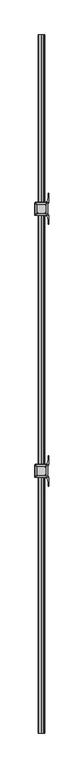
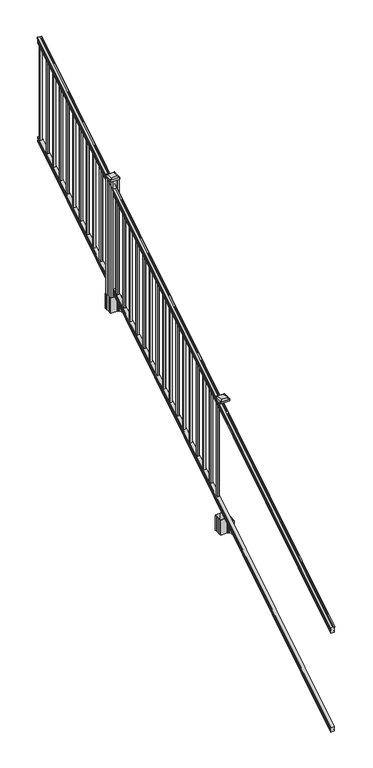
"""IFC4 building model written with IfcOpenShell, lengths in millimetres: railing geometry."""

from ifc_helpers import new_model, si_unit, point, frame, frame_2d, origin, place, context, project, spatial, polyline, circle_curve, ellipse_curve, trimmed, segment, composite_curve, outline, extrude, faceted_brep, source, transform, mapped, element, save
from ifc_brep_helpers import plane_surface, cylinder_surface, revolved_surface, extruded_surface, advanced_brep


def railing_1ef77028(model_context):
    return source(origin(), model_context, "Body", "SolidModel", [
        advanced_brep(
        [(12950.4754996, -7669.8194681, 1285.6070492), (12953.0493284, -7669.8194681, 1285.6070492), (12953.0493284, -7669.8194681, 1273.0394336), (12952.0333284, -7669.8194681, 1271.841318), (12952.0333284, -7669.8194681, 1257.3), (12983.7833284, -7669.8194681, 1257.3), (12983.7833284, -7669.8194681, 1272.0274214), (12982.7673284, -7669.8194681, 1273.225537), (12982.7673284, -7669.8194681, 1285.6070492), (12985.3411571, -7669.8194681, 1285.6070492), (12985.3411571, -7669.8194681, 1287.8335658), (12986.4713434, -7669.8194681, 1289.6758543), (12986.4713434, -7669.8194681, 1298.1876358), (12985.822087, -7669.8194681, 1301.0572588), (12988.322087, -7669.8194681, 1306.1635509), (12989.7314295, -7669.8194681, 1308.1442021), (12990.1333285, -7669.8194681, 1309.4469579), (12990.1333284, -7669.8194681, 1311.0274846), (12988.5798811, -7669.8194681, 1312.8593836), (12967.9083284, -7669.8194681, 1312.8593836), (12947.2367756, -7669.8194681, 1312.8593836), (12945.6833284, -7669.8194681, 1311.0274846), (12945.6833284, -7669.8194681, 1309.4469579), (12946.0852273, -7669.8194681, 1308.1442021), (12947.4945697, -7669.8194681, 1306.1635509), (12949.9945697, -7669.8194681, 1301.0572588), (12949.3453133, -7669.8194681, 1298.1876358), (12949.3453133, -7669.8194681, 1289.6758543), (12950.4754996, -7669.8194681, 1287.8335658), (12950.4754996, -2793.0194681, 4333.6070492), (12950.4754996, -2793.0194681, 4335.8335658), (12949.3453133, -2793.0194681, 4337.6758543), (12949.3453133, -2793.0194681, 4346.1876358), (12949.9945697, -2793.0194681, 4349.0572588), (12947.4945697, -2793.0194681, 4354.1635509), (12946.0852273, -2793.0194681, 4356.1442021), (12945.6833283, -2793.0194681, 4357.4469579), (12945.6833284, -2793.0194681, 4359.0274846), (12947.2367756, -2793.0194681, 4360.8593836), (12967.9083284, -2793.0194681, 4360.8593836), (12988.5798811, -2793.0194681, 4360.8593836), (12990.1333284, -2793.0194681, 4359.0274846), (12990.1333284, -2793.0194681, 4357.4469579), (12989.7314295, -2793.0194681, 4356.1442021), (12988.322087, -2793.0194681, 4354.1635509), (12985.822087, -2793.0194681, 4349.0572588), (12986.4713434, -2793.0194681, 4346.1876358), (12986.4713434, -2793.0194681, 4337.6758543), (12985.3411571, -2793.0194681, 4335.8335658), (12985.3411571, -2793.0194681, 4333.6070492), (12982.7673284, -2793.0194681, 4333.6070492), (12982.7673284, -2793.0194681, 4321.225537), (12983.7833284, -2793.0194681, 4320.0274214), (12983.7833284, -2793.0194681, 4305.3), (12952.0333284, -2793.0194681, 4305.3), (12952.0333284, -2793.0194681, 4319.841318), (12953.0493284, -2793.0194681, 4321.0394336), (12953.0493284, -2793.0194681, 4333.6070492)],
        [
            (0, 1, ellipse_curve(frame((12951.762414, -7669.8194681, 1285.6070492), z_axis=(0.0, -1.0, 0.0), x_axis=(0.0, 0.0, -1.0)), 1.5175907, 1.2869144)),
            (1, 2),
            (2, 3),
            (3, 4),
            (4, 5),
            (5, 6),
            (6, 7),
            (7, 8),
            (8, 9, ellipse_curve(frame((12984.0542427, -7669.8194681, 1285.6070492), z_axis=(0.0, -1.0, 0.0), x_axis=(0.0, 0.0, -1.0)), 1.5175907, 1.2869144)),
            (9, 10),
            (10, 11, ellipse_curve(frame((12979.0264038, -7669.8194681, 1294.6239405), z_axis=(0.0, -1.0, 0.0), x_axis=(0.0, 0.0, -1.0)), 10.0777926, 8.545951)),
            (11, 12, ellipse_curve(frame((12979.4634668, -7669.8194681, 1293.9317451), z_axis=(0.0, -1.0, 0.0), x_axis=(0.0, 0.0, -1.0)), 9.2955186, 7.882584)),
            (12, 13, ellipse_curve(frame((12989.9767909, -7669.8194681, 1300.8275077), z_axis=(0.0, 1.0, 0.0), x_axis=(0.0, 0.0, 1.0)), 4.9048088, 4.1592695)),
            (13, 14, ellipse_curve(frame((12991.2640975, -7669.8194681, 1300.7563208), z_axis=(0.0, 1.0, 0.0), x_axis=(0.0, 0.0, 1.0)), 6.4245301, 5.4479907)),
            (14, 15, ellipse_curve(frame((12990.030939, -7669.8194681, 1306.1602333), z_axis=(0.0, 1.0, 0.0), x_axis=(0.0, 0.0, 1.0)), 2.0151625, 1.7088543)),
            (15, 16, ellipse_curve(frame((12988.4140389, -7669.8194681, 1309.4469579), z_axis=(0.0, -1.0, 0.0), x_axis=(0.0, 0.0, -1.0)), 2.0274681, 1.7192895)),
            (16, 17),
            (17, 18, ellipse_curve(frame((12988.5798811, -7669.8194681, 1311.0274846), z_axis=(0.0, -1.0, 0.0), x_axis=(0.0, 0.0, -1.0)), 1.831899, 1.5534472)),
            (18, 19),
            (19, 20),
            (20, 21, ellipse_curve(frame((12947.2367756, -7669.8194681, 1311.0274846), z_axis=(0.0, -1.0, 0.0), x_axis=(0.0, 0.0, -1.0)), 1.831899, 1.5534472)),
            (21, 22),
            (22, 23, ellipse_curve(frame((12947.4026178, -7669.8194681, 1309.4469579), z_axis=(0.0, -1.0, 0.0), x_axis=(0.0, 0.0, -1.0)), 2.0274681, 1.7192895)),
            (23, 24, ellipse_curve(frame((12945.7857177, -7669.8194681, 1306.1602333), z_axis=(0.0, 1.0, 0.0), x_axis=(0.0, 0.0, 1.0)), 2.0151625, 1.7088543)),
            (24, 25, ellipse_curve(frame((12944.5525593, -7669.8194681, 1300.7563208), z_axis=(0.0, 1.0, 0.0), x_axis=(0.0, 0.0, 1.0)), 6.4245301, 5.4479907)),
            (25, 26, ellipse_curve(frame((12945.8398658, -7669.8194681, 1300.8275077), z_axis=(0.0, 1.0, 0.0), x_axis=(0.0, 0.0, 1.0)), 4.9048088, 4.1592695)),
            (26, 27, ellipse_curve(frame((12956.35319, -7669.8194681, 1293.9317451), z_axis=(0.0, -1.0, 0.0), x_axis=(0.0, 0.0, -1.0)), 9.2955186, 7.882584)),
            (27, 28, ellipse_curve(frame((12956.7902529, -7669.8194681, 1294.6239405), z_axis=(0.0, -1.0, 0.0), x_axis=(0.0, 0.0, -1.0)), 10.0777926, 8.545951)),
            (28, 0),
            (29, 30),
            (30, 31, ellipse_curve(frame((12956.7902529, -2793.0194681, 4342.6239405), z_axis=(0.0, 1.0, 0.0), x_axis=(0.0, 0.0, -1.0)), 10.0777926, 8.545951)),
            (31, 32, ellipse_curve(frame((12956.35319, -2793.0194681, 4341.9317451), z_axis=(0.0, 1.0, 0.0), x_axis=(0.0, 0.0, -1.0)), 9.2955186, 7.882584)),
            (32, 33, ellipse_curve(frame((12945.8398658, -2793.0194681, 4348.8275077), z_axis=(0.0, -1.0, 0.0), x_axis=(0.0, 0.0, 1.0)), 4.9048088, 4.1592695)),
            (33, 34, ellipse_curve(frame((12944.5525593, -2793.0194681, 4348.7563208), z_axis=(0.0, -1.0, 0.0), x_axis=(0.0, 0.0, 1.0)), 6.4245301, 5.4479907)),
            (34, 35, ellipse_curve(frame((12945.7857177, -2793.0194681, 4354.1602333), z_axis=(0.0, -1.0, 0.0), x_axis=(0.0, 0.0, 1.0)), 2.0151625, 1.7088543)),
            (35, 36, ellipse_curve(frame((12947.4026178, -2793.0194681, 4357.4469579), z_axis=(0.0, 1.0, 0.0), x_axis=(0.0, 0.0, -1.0)), 2.0274681, 1.7192895)),
            (36, 37),
            (37, 38, ellipse_curve(frame((12947.2367756, -2793.0194681, 4359.0274846), z_axis=(0.0, 1.0, 0.0), x_axis=(0.0, 0.0, -1.0)), 1.831899, 1.5534472)),
            (38, 39),
            (39, 40),
            (40, 41, ellipse_curve(frame((12988.5798811, -2793.0194681, 4359.0274846), z_axis=(0.0, 1.0, 0.0), x_axis=(0.0, 0.0, -1.0)), 1.831899, 1.5534472)),
            (41, 42),
            (42, 43, ellipse_curve(frame((12988.4140389, -2793.0194681, 4357.4469579), z_axis=(0.0, 1.0, 0.0), x_axis=(0.0, 0.0, -1.0)), 2.0274681, 1.7192895)),
            (43, 44, ellipse_curve(frame((12990.030939, -2793.0194681, 4354.1602333), z_axis=(0.0, -1.0, 0.0), x_axis=(0.0, 0.0, 1.0)), 2.0151625, 1.7088543)),
            (44, 45, ellipse_curve(frame((12991.2640975, -2793.0194681, 4348.7563208), z_axis=(0.0, -1.0, 0.0), x_axis=(0.0, 0.0, 1.0)), 6.4245301, 5.4479907)),
            (45, 46, ellipse_curve(frame((12989.9767909, -2793.0194681, 4348.8275077), z_axis=(0.0, -1.0, 0.0), x_axis=(0.0, 0.0, 1.0)), 4.9048088, 4.1592695)),
            (46, 47, ellipse_curve(frame((12979.4634668, -2793.0194681, 4341.9317451), z_axis=(0.0, 1.0, 0.0), x_axis=(0.0, 0.0, -1.0)), 9.2955186, 7.882584)),
            (47, 48, ellipse_curve(frame((12979.0264038, -2793.0194681, 4342.6239405), z_axis=(0.0, 1.0, 0.0), x_axis=(0.0, 0.0, -1.0)), 10.0777926, 8.545951)),
            (48, 49),
            (49, 50, ellipse_curve(frame((12984.0542427, -2793.0194681, 4333.6070492), z_axis=(0.0, 1.0, 0.0), x_axis=(0.0, 0.0, -1.0)), 1.5175907, 1.2869144)),
            (50, 51),
            (51, 52),
            (52, 53),
            (53, 54),
            (54, 55),
            (55, 56),
            (56, 57),
            (57, 29, ellipse_curve(frame((12951.762414, -2793.0194681, 4333.6070492), z_axis=(0.0, 1.0, 0.0), x_axis=(0.0, 0.0, -1.0)), 1.5175907, 1.2869144)),
            (28, 30),
            (29, 0),
            (27, 31),
            (26, 32),
            (25, 33),
            (24, 34),
            (23, 35),
            (22, 36),
            (21, 37),
            (20, 38),
            (19, 39),
            (18, 40),
            (17, 41),
            (16, 42),
            (15, 43),
            (14, 44),
            (13, 45),
            (12, 46),
            (11, 47),
            (10, 48),
            (9, 49),
            (8, 50),
            (7, 51),
            (6, 52),
            (5, 53),
            (4, 54),
            (3, 55),
            (2, 56),
            (1, 57),
        ],
        [
            plane_surface(frame((12967.9083284, -7669.8194681, 1257.3), z_axis=(0.0, -1.0, 0.0), x_axis=(0.0, 0.0, 1.0))),
            plane_surface(frame((12967.9083284, -2793.0194681, 4305.3), z_axis=(0.0, 1.0, 0.0), x_axis=(0.0, 0.0, 1.0))),
            plane_surface(frame((12950.4754996, -7669.8194681, 1287.8335658), z_axis=(-1.0, 0.0, 0.0), x_axis=(0.0, 0.8479983040051253, 0.5299989400031203))),
            cylinder_surface(frame((12956.7902529, -7686.5942728, 1284.1396876), z_axis=(0.0, -0.8479983040051253, -0.5299989400031204), x_axis=(1.0, 0.0, 0.0)), 8.545951),
            cylinder_surface(frame((12956.35319, -7686.2831737, 1283.641929), z_axis=(0.0, -0.8479983040051253, -0.5299989400031204), x_axis=(1.0, 0.0, 0.0)), 7.882584),
            revolved_surface(polyline([(12949.9991353, -2790.8150596503465, 4350.205262980555), (12949.9991353, -7672.023876549438, 1299.4497524191)]), (12945.8398658, -7689.3823929, 1288.6006797), (0.0, 0.8479983040051253, 0.5299989400031204)),
            revolved_surface(polyline([(12950.00055, -2790.132038835738, 4350.5609640771845), (12950.00055, -7672.7068973528085, 1298.9516775044933)]), (12944.5525593, -7689.3503988, 1288.5494891), (0.0, 0.8479983040051253, 0.5299989400031204)),
            revolved_surface(polyline([(12947.494572000001, -2792.113777099784, 4354.726290199656), (12947.494572000001, -7670.725159122471, 1305.5941764359536)]), (12945.7857177, -7691.7791235, 1292.4354487), (0.0, 0.8479983040051253, 0.5299989400031204)),
            cylinder_surface(frame((12947.4026178, -7693.2563031, 1294.798936), z_axis=(0.0, -0.8479983040051253, -0.5299989400031204), x_axis=(1.0, 0.0, 0.0)), 1.7192895),
            plane_surface(frame((12945.6833284, -7669.8194681, 1311.0274846), z_axis=(-1.0000000000000002, 0.0, 0.0), x_axis=(0.0, 0.8479983040051253, 0.5299989400031204))),
            cylinder_surface(frame((12947.2367756, -7693.9666522, 1295.9354945), z_axis=(0.0, -0.8479983040051253, -0.5299989400031204), x_axis=(1.0, 0.0, 0.0)), 1.5534472),
            plane_surface(frame((12967.9083284, -7669.8194681, 1312.8593836), z_axis=(0.0, -0.5299989400031204, 0.8479983040051253), x_axis=(0.0, 0.8479983040051253, 0.5299989400031204))),
            plane_surface(frame((12988.5798811, -7669.8194681, 1312.8593836), z_axis=(0.0, -0.5299989400031204, 0.8479983040051253), x_axis=(0.0, 0.8479983040051253, 0.5299989400031204))),
            cylinder_surface(frame((12988.5798811, -7693.9666522, 1295.9354945), z_axis=(0.0, -0.8479983040051253, -0.5299989400031204), x_axis=(-1.0, 0.0, 0.0)), 1.5534472),
            plane_surface(frame((12990.1333284, -7669.8194681, 1309.4469579), z_axis=(1.0000000000000002, 0.0, 0.0), x_axis=(0.0, 0.8479983040051253, 0.5299989400031204))),
            cylinder_surface(frame((12988.4140389, -7693.2563031, 1294.798936), z_axis=(0.0, -0.8479983040051253, -0.5299989400031204), x_axis=(-1.0, 0.0, 0.0)), 1.7192895),
            revolved_surface(polyline([(12988.3220847, -2792.113777099784, 4354.726290199656), (12988.3220847, -7670.725159122471, 1305.5941764359536)]), (12990.030939, -7691.7791235, 1292.4354487), (0.0, 0.8479983040051253, 0.5299989400031204)),
            revolved_surface(polyline([(12985.816106799999, -2790.132038835738, 4350.5609640771845), (12985.816106799999, -7672.7068973528085, 1298.9516775044933)]), (12991.2640975, -7689.3503988, 1288.5494891), (0.0, 0.8479983040051253, 0.5299989400031204)),
            revolved_surface(polyline([(12985.8175214, -2790.8150596503465, 4350.205262980555), (12985.8175214, -7672.023876549438, 1299.4497524191)]), (12989.9767909, -7689.3823929, 1288.6006797), (0.0, 0.8479983040051253, 0.5299989400031204)),
            cylinder_surface(frame((12979.4634668, -7686.2831737, 1283.641929), z_axis=(0.0, -0.8479983040051253, -0.5299989400031204), x_axis=(-1.0, 0.0, 0.0)), 7.882584),
            cylinder_surface(frame((12979.0264038, -7686.5942728, 1284.1396876), z_axis=(0.0, -0.8479983040051253, -0.5299989400031204), x_axis=(-1.0, 0.0, 0.0)), 8.545951),
            plane_surface(frame((12985.3411571, -7669.8194681, 1285.6070492), z_axis=(1.0000000000000002, 0.0, 0.0), x_axis=(0.0, 0.8479983040051253, 0.5299989400031204))),
            cylinder_surface(frame((12984.0542427, -7682.5417374, 1277.6556309), z_axis=(0.0, -0.8479983040051253, -0.5299989400031204), x_axis=(-1.0, 0.0, 0.0)), 1.2869144),
            plane_surface(frame((12982.7673284, -7669.8194681, 1273.225537), z_axis=(1.0, 0.0, 0.0), x_axis=(0.0, 0.8479983040051253, 0.5299989400031203))),
            plane_surface(frame((12983.7833284, -7669.8194681, 1272.0274214), z_axis=(0.7071067811865425, -0.37476584449789213, 0.5996253511967193), x_axis=(0.0, 0.8479983040051253, 0.5299989400031203))),
            plane_surface(frame((12983.7833284, -7669.8194681, 1257.3), z_axis=(1.0000000000000002, 0.0, 0.0), x_axis=(0.0, 0.8479983040051253, 0.5299989400031204))),
            plane_surface(frame((12952.0333284, -7669.8194681, 1257.3), z_axis=(0.0, 0.5299989400031204, -0.8479983040051253), x_axis=(0.0, 0.8479983040051253, 0.5299989400031204))),
            plane_surface(frame((12952.0333284, -7669.8194681, 1271.841318), z_axis=(-1.0000000000000002, 0.0, 0.0), x_axis=(0.0, 0.8479983040051253, 0.5299989400031204))),
            plane_surface(frame((12953.0493284, -7669.8194681, 1273.0394336), z_axis=(-0.7071067811865404, -0.3747658444978917, 0.5996253511967224), x_axis=(0.0, 0.8479983040051253, 0.5299989400031204))),
            plane_surface(frame((12953.0493284, -7669.8194681, 1285.6070492), z_axis=(-1.0, 0.0, 0.0), x_axis=(0.0, 0.8479983040051253, 0.5299989400031203))),
            cylinder_surface(frame((12951.762414, -7682.5417374, 1277.6556309), z_axis=(0.0, -0.8479983040051253, -0.5299989400031204), x_axis=(1.0, 0.0, 0.0)), 1.2869144),
        ],
        [
            (0, [[1, 2, 3, 4, 5, 6, 7, 8, 9, 10, 11, 12, 13, 14, 15, 16, 17, 18, 19, 20, 21, 22, 23, 24, 25, 26, 27, 28, 29]]),
            (1, [[30, 31, 32, 33, 34, 35, 36, 37, 38, 39, 40, 41, 42, 43, 44, 45, 46, 47, 48, 49, 50, 51, 52, 53, 54, 55, 56, 57, 58]]),
            (2, [[-29, 59, -30, 60]]),
            (3, [[-28, 61, -31, -59]]),
            (4, [[-27, 62, -32, -61]]),
            (5, [[-26, 63, -33, -62]]),
            (6, [[-25, 64, -34, -63]]),
            (7, [[-24, 65, -35, -64]]),
            (8, [[-23, 66, -36, -65]]),
            (9, [[-22, 67, -37, -66]]),
            (10, [[-21, 68, -38, -67]]),
            (11, [[-20, 69, -39, -68]]),
            (12, [[-19, 70, -40, -69]]),
            (13, [[-18, 71, -41, -70]]),
            (14, [[-17, 72, -42, -71]]),
            (15, [[-16, 73, -43, -72]]),
            (16, [[-15, 74, -44, -73]]),
            (17, [[-14, 75, -45, -74]]),
            (18, [[-13, 76, -46, -75]]),
            (19, [[-12, 77, -47, -76]]),
            (20, [[-11, 78, -48, -77]]),
            (21, [[-10, 79, -49, -78]]),
            (22, [[-9, 80, -50, -79]]),
            (23, [[-8, 81, -51, -80]]),
            (24, [[-7, 82, -52, -81]]),
            (25, [[-6, 83, -53, -82]]),
            (26, [[-5, 84, -54, -83]]),
            (27, [[-4, 85, -55, -84]]),
            (28, [[-3, 86, -56, -85]]),
            (29, [[-2, 87, -57, -86]]),
            (30, [[-1, -60, -58, -87]]),
        ],
    ),
        faceted_brep([(12951.9958415, -7669.8194681, 268.8045079), (12951.9958415, -7669.8194681, 254.0), (12983.7458415, -7669.8194681, 254.0), (12983.7458415, -7669.8194681, 268.7848772), (12982.7298415, -7669.8194681, 270.3748303), (12982.7298415, -7669.8194681, 282.5348741), (12983.7458415, -7669.8194681, 284.1248272), (12983.7458415, -7669.8194681, 298.9244744), (12951.9958415, -7669.8194681, 298.9244744), (12951.9958415, -7669.8194681, 284.1444579), (12953.0118415, -7669.8194681, 282.5545048), (12953.0118415, -7669.8194681, 270.338026), (12951.9958415, -2793.0194681, 3316.8045079), (12953.0118415, -2793.0194681, 3318.338026), (12953.0118415, -2793.0194681, 3330.5545048), (12951.9958415, -2793.0194681, 3332.1444579), (12951.9958415, -2793.0194681, 3346.9244744), (12983.7458415, -2793.0194681, 3346.9244744), (12983.7458415, -2793.0194681, 3332.1248272), (12982.7298415, -2793.0194681, 3330.5348741), (12982.7298415, -2793.0194681, 3318.3748303), (12983.7458415, -2793.0194681, 3316.7848772), (12983.7458415, -2793.0194681, 3302.0), (12951.9958415, -2793.0194681, 3302.0)], [[[0, 1, 2, 3, 4, 5, 6, 7, 8, 9, 10, 11]], [[12, 13, 14, 15, 16, 17, 18, 19, 20, 21, 22, 23]], [[0, 11, 13, 12]], [[11, 10, 14, 13]], [[10, 9, 15, 14]], [[9, 8, 16, 15]], [[8, 7, 17, 16]], [[7, 6, 18, 17]], [[6, 5, 19, 18]], [[5, 4, 20, 19]], [[4, 3, 21, 20]], [[3, 2, 22, 21]], [[2, 1, 23, 22]], [[1, 0, 12, 23]]]),
        extrude(outline(polyline([(12958.3833284, -2824.1344681), (12958.3833284, -2805.0844681), (12977.4333284, -2805.0844681), (12977.4333284, -2824.1344681), (12958.3833284, -2824.1344681)]), holes=[polyline([(12958.7802034, -2823.7375931), (12977.0364534, -2823.7375931), (12977.0364534, -2805.4813431), (12958.7802034, -2805.4813431), (12958.7802034, -2823.7375931)])]), frame((0.0, 0.0, 3326.6021281), z_axis=(0.0, 0.0, 1.0), x_axis=(1.0, 0.0, 0.0)), (0.0, 0.0, 1.0), 965.2041219),
        extrude(outline(polyline([(12958.3833284, -2935.3864681), (12958.3833284, -2916.3364681), (12977.4333284, -2916.3364681), (12977.4333284, -2935.3864681), (12958.3833284, -2935.3864681)]), holes=[polyline([(12958.7802034, -2934.9895931), (12977.0364534, -2934.9895931), (12977.0364534, -2916.7333431), (12958.7802034, -2916.7333431), (12958.7802034, -2934.9895931)])]), frame((0.0, 0.0, 3257.0696281), z_axis=(0.0, 0.0, 1.0), x_axis=(1.0, 0.0, 0.0)), (0.0, 0.0, 1.0), 965.2041219),
        extrude(outline(polyline([(12958.3833284, -3046.6384681), (12958.3833284, -3027.5884681), (12977.4333284, -3027.5884681), (12977.4333284, -3046.6384681), (12958.3833284, -3046.6384681)]), holes=[polyline([(12958.7802034, -3046.2415931), (12977.0364534, -3046.2415931), (12977.0364534, -3027.9853431), (12958.7802034, -3027.9853431), (12958.7802034, -3046.2415931)])]), frame((0.0, 0.0, 3187.5371281), z_axis=(0.0, 0.0, 1.0), x_axis=(1.0, 0.0, 0.0)), (0.0, 0.0, 1.0), 965.2041219),
        extrude(outline(polyline([(12958.3833284, -3157.8904681), (12958.3833284, -3138.8404681), (12977.4333284, -3138.8404681), (12977.4333284, -3157.8904681), (12958.3833284, -3157.8904681)]), holes=[polyline([(12958.7802034, -3157.4935931), (12977.0364534, -3157.4935931), (12977.0364534, -3139.2373431), (12958.7802034, -3139.2373431), (12958.7802034, -3157.4935931)])]), frame((0.0, 0.0, 3118.0046281), z_axis=(0.0, 0.0, 1.0), x_axis=(1.0, 0.0, 0.0)), (0.0, 0.0, 1.0), 965.2041219),
        extrude(outline(polyline([(12958.3833284, -3269.1424681), (12958.3833284, -3250.0924681), (12977.4333284, -3250.0924681), (12977.4333284, -3269.1424681), (12958.3833284, -3269.1424681)]), holes=[polyline([(12958.7802034, -3268.7455931), (12977.0364534, -3268.7455931), (12977.0364534, -3250.4893431), (12958.7802034, -3250.4893431), (12958.7802034, -3268.7455931)])]), frame((0.0, 0.0, 3048.4721281), z_axis=(0.0, 0.0, 1.0), x_axis=(1.0, 0.0, 0.0)), (0.0, 0.0, 1.0), 965.2041219),
        extrude(outline(polyline([(12958.3833284, -3380.3944681), (12958.3833284, -3361.3444681), (12977.4333284, -3361.3444681), (12977.4333284, -3380.3944681), (12958.3833284, -3380.3944681)]), holes=[polyline([(12958.7802034, -3379.9975931), (12977.0364534, -3379.9975931), (12977.0364534, -3361.7413431), (12958.7802034, -3361.7413431), (12958.7802034, -3379.9975931)])]), frame((0.0, 0.0, 2978.9396281), z_axis=(0.0, 0.0, 1.0), x_axis=(1.0, 0.0, 0.0)), (0.0, 0.0, 1.0), 965.2041219),
        extrude(outline(polyline([(12958.3833284, -3491.6464681), (12958.3833284, -3472.5964681), (12977.4333284, -3472.5964681), (12977.4333284, -3491.6464681), (12958.3833284, -3491.6464681)]), holes=[polyline([(12958.7802034, -3491.2495931), (12977.0364534, -3491.2495931), (12977.0364534, -3472.9933431), (12958.7802034, -3472.9933431), (12958.7802034, -3491.2495931)])]), frame((0.0, 0.0, 2909.4071281), z_axis=(0.0, 0.0, 1.0), x_axis=(1.0, 0.0, 0.0)), (0.0, 0.0, 1.0), 965.2041219),
        extrude(outline(polyline([(12958.3833284, -3602.8984681), (12958.3833284, -3583.8484681), (12977.4333284, -3583.8484681), (12977.4333284, -3602.8984681), (12958.3833284, -3602.8984681)]), holes=[polyline([(12958.7802034, -3602.5015931), (12977.0364534, -3602.5015931), (12977.0364534, -3584.2453431), (12958.7802034, -3584.2453431), (12958.7802034, -3602.5015931)])]), frame((0.0, 0.0, 2839.8746281), z_axis=(0.0, 0.0, 1.0), x_axis=(1.0, 0.0, 0.0)), (0.0, 0.0, 1.0), 965.2041219),
        extrude(outline(polyline([(12958.3833284, -3714.1504681), (12958.3833284, -3695.1004681), (12977.4333284, -3695.1004681), (12977.4333284, -3714.1504681), (12958.3833284, -3714.1504681)]), holes=[polyline([(12958.7802034, -3713.7535931), (12977.0364534, -3713.7535931), (12977.0364534, -3695.4973431), (12958.7802034, -3695.4973431), (12958.7802034, -3713.7535931)])]), frame((0.0, 0.0, 2770.3421281), z_axis=(0.0, 0.0, 1.0), x_axis=(1.0, 0.0, 0.0)), (0.0, 0.0, 1.0), 965.2041219),
        extrude(outline(polyline([(12958.3833284, -3825.4024681), (12958.3833284, -3806.3524681), (12977.4333284, -3806.3524681), (12977.4333284, -3825.4024681), (12958.3833284, -3825.4024681)]), holes=[polyline([(12958.7802034, -3825.0055931), (12977.0364534, -3825.0055931), (12977.0364534, -3806.7493431), (12958.7802034, -3806.7493431), (12958.7802034, -3825.0055931)])]), frame((0.0, 0.0, 2700.8096281), z_axis=(0.0, 0.0, 1.0), x_axis=(1.0, 0.0, 0.0)), (0.0, 0.0, 1.0), 965.2041219),
        extrude(outline(polyline([(12958.3833284, -3936.6544681), (12958.3833284, -3917.6044681), (12977.4333284, -3917.6044681), (12977.4333284, -3936.6544681), (12958.3833284, -3936.6544681)]), holes=[polyline([(12958.7802034, -3936.2575931), (12977.0364534, -3936.2575931), (12977.0364534, -3918.0013431), (12958.7802034, -3918.0013431), (12958.7802034, -3936.2575931)])]), frame((0.0, 0.0, 2631.2771281), z_axis=(0.0, 0.0, 1.0), x_axis=(1.0, 0.0, 0.0)), (0.0, 0.0, 1.0), 965.2041219),
        extrude(outline(composite_curve([segment(polyline([(12925.1728284, -4025.541563), (12925.1728284, -3990.7693732), (12923.5853284, -3990.0073732), (12923.5853284, -3967.2054452), (12926.9583054, -3963.8324681), (12988.4179763, -3963.8324681), (12988.4179763, -3962.9117181), (12993.7355201, -3962.9117181), (12993.7355201, -3961.4574634), (12998.8200498, -3961.4574634), (12998.8200498, -3960.1734396), (13000.4873221, -3960.1734396)]), True, "CONTINUOUS"), segment(trimmed(circle_curve(frame_2d((13000.4873221, -3953.1139797)), 7.0594599), [point((13000.4873221, -3960.1734396))], [point((13007.2545849, -3955.1239864))], True, "CARTESIAN"), True, "CONTINUOUS"), segment(polyline([(13007.2545849, -3955.1239864), (13015.1287792, -3928.6132573)]), True, "CONTINUOUS"), segment(trimmed(circle_curve(frame_2d((12960.3442659, -3912.3412076)), 57.15), [point((13015.1287792, -3928.6132573))], [point((13017.4942659, -3912.3412076))], True, "CARTESIAN"), True, "CONTINUOUS"), segment(polyline([(13017.4942659, -3912.3412076), (13017.4942659, -3900.3324681), (13020.4942659, -3900.3324681), (13020.4942659, -3965.4199681), (13012.2313284, -3976.7582594), (13012.2313284, -3990.0073732), (13010.6438284, -3990.7693732), (13010.6438284, -4025.541563), (13012.2313284, -4026.303563), (13012.2313284, -4039.5526768), (13020.4942659, -4050.8909681), (13020.4942659, -4115.9784681), (13017.4942659, -4115.9784681), (13017.4942659, -4103.9697285)]), True, "CONTINUOUS"), segment(trimmed(circle_curve(frame_2d((12960.3442659, -4103.9697285)), 57.15), [point((13017.4942659, -4103.9697285))], [point((13015.1287792, -4087.6976789))], True, "CARTESIAN"), True, "CONTINUOUS"), segment(polyline([(13015.1287792, -4087.6976789), (13007.2545849, -4061.1869498)]), True, "CONTINUOUS"), segment(trimmed(circle_curve(frame_2d((13000.4873221, -4063.1969565)), 7.0594599), [point((13007.2545849, -4061.1869498))], [point((13000.4873221, -4056.1374966))], True, "CARTESIAN"), True, "CONTINUOUS"), segment(polyline([(13000.4873221, -4056.1374966), (12998.8200498, -4056.1374966), (12998.8200498, -4054.8534728), (12993.7355201, -4054.8534728), (12993.7355201, -4053.3992181), (12988.4179763, -4053.3992181), (12988.4179763, -4052.4784681), (12926.9583054, -4052.4784681), (12923.5853284, -4049.105491), (12923.5853284, -4026.303563), (12925.1728284, -4025.541563)]), True, "CONTINUOUS")], self_intersect=False), holes=[polyline([(13009.1833284, -3968.4679681), (13007.5958284, -3966.8804681), (12970.6715458, -3966.8804681), (12928.2208284, -3966.8804681), (12926.6333284, -3968.4679681), (12926.6333284, -4047.8429681), (12928.2208284, -4049.4304681), (12970.6715458, -4049.4304681), (13007.5958284, -4049.4304681), (13009.1833284, -4047.8429681), (13009.1833284, -3968.4679681)])]), frame((0.0, 0.0, 2326.64), z_axis=(0.0, 0.0, 1.0), x_axis=(1.0, 0.0, 0.0)), (0.0, 0.0, 1.0), 152.4),
        advanced_brep(
        [(12993.7052034, -4037.1273431, 3691.379263), (12996.8802034, -4033.9523431, 3691.379263), (12996.8802034, -3982.3585931, 3691.379263), (12993.7052034, -3979.1835931, 3691.379263), (12942.1114534, -3979.1835931, 3691.379263), (12938.9364534, -3982.3585931, 3691.379263), (12938.9364534, -4033.9523431, 3691.379263), (12942.1114534, -4037.1273431, 3691.379263), (13009.9770784, -4053.3992181, 3680.076263), (12925.8395784, -4053.3992181, 3680.076263), (12922.6645784, -4050.2242181, 3680.076263), (12922.6645784, -3966.0867181, 3680.076263), (12925.8395784, -3962.9117181, 3680.076263), (13009.9770784, -3962.9117181, 3680.076263), (13013.1520784, -3966.0867181, 3680.076263), (13013.1520784, -4050.2242181, 3680.076263)],
        [
            (0, 1, circle_curve(frame((12993.7052034, -4033.9523431, 3691.379263), z_axis=(0.0, 0.0, 1.0), x_axis=(0.0, 1.0, 0.0)), 3.175)),
            (1, 2),
            (2, 3, circle_curve(frame((12993.7052034, -3982.3585931, 3691.379263), z_axis=(0.0, 0.0, 1.0), x_axis=(0.0, 1.0, 0.0)), 3.175)),
            (3, 4),
            (4, 5, circle_curve(frame((12942.1114534, -3982.3585931, 3691.379263), z_axis=(0.0, 0.0, 1.0), x_axis=(0.0, 1.0, 0.0)), 3.175)),
            (5, 6),
            (6, 7, circle_curve(frame((12942.1114534, -4033.9523431, 3691.379263), z_axis=(0.0, 0.0, 1.0), x_axis=(0.0, 1.0, 0.0)), 3.175)),
            (7, 0),
            (8, 9),
            (9, 10, circle_curve(frame((12925.8395784, -4050.2242181, 3680.076263), z_axis=(0.0, 0.0, -1.0), x_axis=(0.0, 1.0, 0.0)), 3.175)),
            (10, 11),
            (11, 12, circle_curve(frame((12925.8395784, -3966.0867181, 3680.076263), z_axis=(0.0, 0.0, -1.0), x_axis=(0.0, 1.0, 0.0)), 3.175)),
            (12, 13),
            (13, 14, circle_curve(frame((13009.9770784, -3966.0867181, 3680.076263), z_axis=(0.0, 0.0, -1.0), x_axis=(0.0, 1.0, 0.0)), 3.175)),
            (14, 15),
            (15, 8, circle_curve(frame((13009.9770784, -4050.2242181, 3680.076263), z_axis=(0.0, 0.0, -1.0), x_axis=(0.0, 1.0, 0.0)), 3.175)),
            (15, 1),
            (0, 8),
            (14, 2),
            (13, 3),
            (12, 4),
            (11, 5),
            (10, 6),
            (9, 7),
        ],
        [
            plane_surface(frame((12967.9083284, -4008.1554681, 3691.379263), z_axis=(0.0, 0.0, 1.0), x_axis=(1.0, 0.0, 0.0))),
            plane_surface(frame((12967.9083284, -4008.1554681, 3680.076263), z_axis=(0.0, 0.0, -1.0), x_axis=(1.0, 0.0, 0.0))),
            extruded_surface(trimmed(circle_curve(frame((13009.9770784, -4050.2242181, 3680.076263), z_axis=(0.0, 0.0, 1.0), x_axis=(0.0, 1.0, 0.0)), 3.175), [point((13009.9770784, -4053.3992181, 3680.076263))], [point((13013.1520784, -4050.2242181, 3680.076263))], True, "CARTESIAN"), (-16.271874999998545, 16.271875000000364, 11.302999999999884), 25.63797263886542),
            plane_surface(frame((13013.1520784, -4008.1554681, 3680.076263), z_axis=(0.5705009161540778, 0.0, 0.8212969649690408), x_axis=(0.0, 1.0, 0.0))),
            extruded_surface(trimmed(circle_curve(frame((13009.9770784, -3966.0867181, 3680.076263), z_axis=(0.0, 0.0, 1.0), x_axis=(0.0, 1.0, 0.0)), 3.175), [point((13013.1520784, -3966.0867181, 3680.076263))], [point((13009.9770784, -3962.9117181, 3680.076263))], True, "CARTESIAN"), (-16.271874999998545, -16.27187499999991, 11.302999999999884), 25.63797263886513),
            plane_surface(frame((12967.9083284, -3962.9117181, 3680.076263), z_axis=(0.0, 0.5705009161540291, 0.8212969649690747), x_axis=(-1.0, 0.0, 0.0))),
            extruded_surface(trimmed(circle_curve(frame((12925.8395784, -3966.0867181, 3680.076263), z_axis=(0.0, 0.0, 1.0), x_axis=(0.0, 1.0, 0.0)), 3.175), [point((12925.8395784, -3962.9117181, 3680.076263))], [point((12922.6645784, -3966.0867181, 3680.076263))], True, "CARTESIAN"), (16.271875000000364, -16.27187499999991, 11.302999999999884), 25.637972638866284),
            plane_surface(frame((12922.6645784, -4008.1554681, 3680.076263), z_axis=(-0.5705009161540142, 0.0, 0.8212969649690851), x_axis=(0.0, -1.0, 0.0))),
            extruded_surface(trimmed(circle_curve(frame((12925.8395784, -4050.2242181, 3680.076263), z_axis=(0.0, 0.0, 1.0), x_axis=(0.0, 1.0, 0.0)), 3.175), [point((12922.6645784, -4050.2242181, 3680.076263))], [point((12925.8395784, -4053.3992181, 3680.076263))], True, "CARTESIAN"), (16.271875000000364, 16.271875000000364, 11.302999999999884), 25.63797263886657),
            plane_surface(frame((12967.9083284, -4053.3992181, 3680.076263), z_axis=(0.0, -0.570500916154034, 0.8212969649690713), x_axis=(1.0, 0.0, 0.0))),
        ],
        [
            (0, [[1, 2, 3, 4, 5, 6, 7, 8]]),
            (1, [[9, 10, 11, 12, 13, 14, 15, 16]]),
            (2, [[-16, 17, -1, 18]]),
            (3, [[-15, 19, -2, -17]]),
            (4, [[-14, 20, -3, -19]]),
            (5, [[-13, 21, -4, -20]]),
            (6, [[-12, 22, -5, -21]]),
            (7, [[-11, 23, -6, -22]]),
            (8, [[-10, 24, -7, -23]]),
            (9, [[-9, -18, -8, -24]]),
        ],
    ),
        extrude(outline(composite_curve([segment(polyline([(13009.9770784, -4053.3992181), (12925.8395784, -4053.3992181)]), True, "CONTINUOUS"), segment(trimmed(circle_curve(frame_2d((12925.8395784, -4050.2242181)), 3.175), [point((12925.8395784, -4053.3992181))], [point((12922.6645784, -4050.2242181))], False, "CARTESIAN"), True, "CONTINUOUS"), segment(polyline([(12922.6645784, -4050.2242181), (12922.6645784, -3966.0867181)]), True, "CONTINUOUS"), segment(trimmed(circle_curve(frame_2d((12925.8395784, -3966.0867181)), 3.175), [point((12922.6645784, -3966.0867181))], [point((12925.8395784, -3962.9117181))], False, "CARTESIAN"), True, "CONTINUOUS"), segment(polyline([(12925.8395784, -3962.9117181), (13009.9770784, -3962.9117181)]), True, "CONTINUOUS"), segment(trimmed(circle_curve(frame_2d((13009.9770784, -3966.0867181)), 3.175), [point((13009.9770784, -3962.9117181))], [point((13013.1520784, -3966.0867181))], False, "CARTESIAN"), True, "CONTINUOUS"), segment(polyline([(13013.1520784, -3966.0867181), (13013.1520784, -4050.2242181)]), True, "CONTINUOUS"), segment(trimmed(circle_curve(frame_2d((13009.9770784, -4050.2242181)), 3.175), [point((13013.1520784, -4050.2242181))], [point((13009.9770784, -4053.3992181))], False, "CARTESIAN"), True, "CONTINUOUS")], self_intersect=False)), frame((0.0, 0.0, 3662.804263), z_axis=(0.0, 0.0, 1.0), x_axis=(1.0, 0.0, 0.0)), (0.0, 0.0, 1.0), 17.272),
        extrude(outline(polyline([(13007.5958284, -4049.4304681), (12987.9743284, -4049.4304681), (12987.2123284, -4047.8429681), (12948.6043284, -4047.8429681), (12947.8423284, -4049.4304681), (12928.2208284, -4049.4304681), (12926.6333284, -4047.8429681), (12926.6333284, -4028.2214681), (12928.2208284, -4027.4594681), (12928.2208284, -3988.8514681), (12926.6333284, -3988.0894681), (12926.6333284, -3968.4679681), (12928.2208284, -3966.8804681), (12947.8423284, -3966.8804681), (12948.6043284, -3968.4679681), (12987.2123284, -3968.4679681), (12987.9743284, -3966.8804681), (13007.5958284, -3966.8804681), (13009.1833284, -3968.4679681), (13009.1833284, -3988.0894681), (13007.5958284, -3988.8514681), (13007.5958284, -4027.4594681), (13009.1833284, -4028.2214681), (13009.1833284, -4047.8429681), (13007.5958284, -4049.4304681)])), frame((0.0, 0.0, 2479.04), z_axis=(0.0, 0.0, 1.0), x_axis=(1.0, 0.0, 0.0)), (0.0, 0.0, 1.0), 1183.764263),
        extrude(outline(polyline([(12958.3833284, -4098.7064681), (12958.3833284, -4079.6564681), (12977.4333284, -4079.6564681), (12977.4333284, -4098.7064681), (12958.3833284, -4098.7064681)]), holes=[polyline([(12958.7802034, -4098.3095931), (12977.0364534, -4098.3095931), (12977.0364534, -4080.0533431), (12958.7802034, -4080.0533431), (12958.7802034, -4098.3095931)])]), frame((0.0, 0.0, 2529.9946281), z_axis=(0.0, 0.0, 1.0), x_axis=(1.0, 0.0, 0.0)), (0.0, 0.0, 1.0), 965.2041219),
        extrude(outline(polyline([(12958.3833284, -4209.9584681), (12958.3833284, -4190.9084681), (12977.4333284, -4190.9084681), (12977.4333284, -4209.9584681), (12958.3833284, -4209.9584681)]), holes=[polyline([(12958.7802034, -4209.5615931), (12977.0364534, -4209.5615931), (12977.0364534, -4191.3053431), (12958.7802034, -4191.3053431), (12958.7802034, -4209.5615931)])]), frame((0.0, 0.0, 2460.4621281), z_axis=(0.0, 0.0, 1.0), x_axis=(1.0, 0.0, 0.0)), (0.0, 0.0, 1.0), 965.2041219),
        extrude(outline(polyline([(12958.3833284, -4321.2104681), (12958.3833284, -4302.1604681), (12977.4333284, -4302.1604681), (12977.4333284, -4321.2104681), (12958.3833284, -4321.2104681)]), holes=[polyline([(12958.7802034, -4320.8135931), (12977.0364534, -4320.8135931), (12977.0364534, -4302.5573431), (12958.7802034, -4302.5573431), (12958.7802034, -4320.8135931)])]), frame((0.0, 0.0, 2390.9296281), z_axis=(0.0, 0.0, 1.0), x_axis=(1.0, 0.0, 0.0)), (0.0, 0.0, 1.0), 965.2041219),
        extrude(outline(polyline([(12958.3833284, -4432.4624681), (12958.3833284, -4413.4124681), (12977.4333284, -4413.4124681), (12977.4333284, -4432.4624681), (12958.3833284, -4432.4624681)]), holes=[polyline([(12958.7802034, -4432.0655931), (12977.0364534, -4432.0655931), (12977.0364534, -4413.8093431), (12958.7802034, -4413.8093431), (12958.7802034, -4432.0655931)])]), frame((0.0, 0.0, 2321.3971281), z_axis=(0.0, 0.0, 1.0), x_axis=(1.0, 0.0, 0.0)), (0.0, 0.0, 1.0), 965.2041219),
        extrude(outline(polyline([(12958.3833284, -4543.7144681), (12958.3833284, -4524.6644681), (12977.4333284, -4524.6644681), (12977.4333284, -4543.7144681), (12958.3833284, -4543.7144681)]), holes=[polyline([(12958.7802034, -4543.3175931), (12977.0364534, -4543.3175931), (12977.0364534, -4525.0613431), (12958.7802034, -4525.0613431), (12958.7802034, -4543.3175931)])]), frame((0.0, 0.0, 2251.8646281), z_axis=(0.0, 0.0, 1.0), x_axis=(1.0, 0.0, 0.0)), (0.0, 0.0, 1.0), 965.2041219),
        extrude(outline(polyline([(12958.3833284, -4654.9664681), (12958.3833284, -4635.9164681), (12977.4333284, -4635.9164681), (12977.4333284, -4654.9664681), (12958.3833284, -4654.9664681)]), holes=[polyline([(12958.7802034, -4654.5695931), (12977.0364534, -4654.5695931), (12977.0364534, -4636.3133431), (12958.7802034, -4636.3133431), (12958.7802034, -4654.5695931)])]), frame((0.0, 0.0, 2182.3321281), z_axis=(0.0, 0.0, 1.0), x_axis=(1.0, 0.0, 0.0)), (0.0, 0.0, 1.0), 965.2041219),
        extrude(outline(polyline([(12958.3833284, -4766.2184681), (12958.3833284, -4747.1684681), (12977.4333284, -4747.1684681), (12977.4333284, -4766.2184681), (12958.3833284, -4766.2184681)]), holes=[polyline([(12958.7802034, -4765.8215931), (12977.0364534, -4765.8215931), (12977.0364534, -4747.5653431), (12958.7802034, -4747.5653431), (12958.7802034, -4765.8215931)])]), frame((0.0, 0.0, 2112.7996281), z_axis=(0.0, 0.0, 1.0), x_axis=(1.0, 0.0, 0.0)), (0.0, 0.0, 1.0), 965.2041219),
        extrude(outline(polyline([(12958.3833284, -4877.4704681), (12958.3833284, -4858.4204681), (12977.4333284, -4858.4204681), (12977.4333284, -4877.4704681), (12958.3833284, -4877.4704681)]), holes=[polyline([(12958.7802034, -4877.0735931), (12977.0364534, -4877.0735931), (12977.0364534, -4858.8173431), (12958.7802034, -4858.8173431), (12958.7802034, -4877.0735931)])]), frame((0.0, 0.0, 2043.2671281), z_axis=(0.0, 0.0, 1.0), x_axis=(1.0, 0.0, 0.0)), (0.0, 0.0, 1.0), 965.2041219),
        extrude(outline(polyline([(12958.3833284, -4988.7224681), (12958.3833284, -4969.6724681), (12977.4333284, -4969.6724681), (12977.4333284, -4988.7224681), (12958.3833284, -4988.7224681)]), holes=[polyline([(12958.7802034, -4988.3255931), (12977.0364534, -4988.3255931), (12977.0364534, -4970.0693431), (12958.7802034, -4970.0693431), (12958.7802034, -4988.3255931)])]), frame((0.0, 0.0, 1973.7346281), z_axis=(0.0, 0.0, 1.0), x_axis=(1.0, 0.0, 0.0)), (0.0, 0.0, 1.0), 965.2041219),
        extrude(outline(polyline([(12958.3833284, -5099.9744681), (12958.3833284, -5080.9244681), (12977.4333284, -5080.9244681), (12977.4333284, -5099.9744681), (12958.3833284, -5099.9744681)]), holes=[polyline([(12958.7802034, -5099.5775931), (12977.0364534, -5099.5775931), (12977.0364534, -5081.3213431), (12958.7802034, -5081.3213431), (12958.7802034, -5099.5775931)])]), frame((0.0, 0.0, 1904.2021281), z_axis=(0.0, 0.0, 1.0), x_axis=(1.0, 0.0, 0.0)), (0.0, 0.0, 1.0), 965.2041219),
        extrude(outline(polyline([(12958.3833284, -5211.2264681), (12958.3833284, -5192.1764681), (12977.4333284, -5192.1764681), (12977.4333284, -5211.2264681), (12958.3833284, -5211.2264681)]), holes=[polyline([(12958.7802034, -5210.8295931), (12977.0364534, -5210.8295931), (12977.0364534, -5192.5733431), (12958.7802034, -5192.5733431), (12958.7802034, -5210.8295931)])]), frame((0.0, 0.0, 1834.6696281), z_axis=(0.0, 0.0, 1.0), x_axis=(1.0, 0.0, 0.0)), (0.0, 0.0, 1.0), 965.2041219),
        extrude(outline(polyline([(12958.3833284, -5322.4784681), (12958.3833284, -5303.4284681), (12977.4333284, -5303.4284681), (12977.4333284, -5322.4784681), (12958.3833284, -5322.4784681)]), holes=[polyline([(12958.7802034, -5322.0815931), (12977.0364534, -5322.0815931), (12977.0364534, -5303.8253431), (12958.7802034, -5303.8253431), (12958.7802034, -5322.0815931)])]), frame((0.0, 0.0, 1765.1371281), z_axis=(0.0, 0.0, 1.0), x_axis=(1.0, 0.0, 0.0)), (0.0, 0.0, 1.0), 965.2041219),
        extrude(outline(polyline([(12958.3833284, -5433.7304681), (12958.3833284, -5414.6804681), (12977.4333284, -5414.6804681), (12977.4333284, -5433.7304681), (12958.3833284, -5433.7304681)]), holes=[polyline([(12958.7802034, -5433.3335931), (12977.0364534, -5433.3335931), (12977.0364534, -5415.0773431), (12958.7802034, -5415.0773431), (12958.7802034, -5433.3335931)])]), frame((0.0, 0.0, 1695.6046281), z_axis=(0.0, 0.0, 1.0), x_axis=(1.0, 0.0, 0.0)), (0.0, 0.0, 1.0), 965.2041219),
        extrude(outline(polyline([(12958.3833284, -5544.9824681), (12958.3833284, -5525.9324681), (12977.4333284, -5525.9324681), (12977.4333284, -5544.9824681), (12958.3833284, -5544.9824681)]), holes=[polyline([(12958.7802034, -5544.5855931), (12977.0364534, -5544.5855931), (12977.0364534, -5526.3293431), (12958.7802034, -5526.3293431), (12958.7802034, -5544.5855931)])]), frame((0.0, 0.0, 1626.0721281), z_axis=(0.0, 0.0, 1.0), x_axis=(1.0, 0.0, 0.0)), (0.0, 0.0, 1.0), 965.2041219),
        extrude(outline(polyline([(12958.3833284, -5656.2344681), (12958.3833284, -5637.1844681), (12977.4333284, -5637.1844681), (12977.4333284, -5656.2344681), (12958.3833284, -5656.2344681)]), holes=[polyline([(12958.7802034, -5655.8375931), (12977.0364534, -5655.8375931), (12977.0364534, -5637.5813431), (12958.7802034, -5637.5813431), (12958.7802034, -5655.8375931)])]), frame((0.0, 0.0, 1556.5396281), z_axis=(0.0, 0.0, 1.0), x_axis=(1.0, 0.0, 0.0)), (0.0, 0.0, 1.0), 965.2041219),
        extrude(outline(polyline([(12958.3833284, -5767.4864681), (12958.3833284, -5748.4364681), (12977.4333284, -5748.4364681), (12977.4333284, -5767.4864681), (12958.3833284, -5767.4864681)]), holes=[polyline([(12958.7802034, -5767.0895931), (12977.0364534, -5767.0895931), (12977.0364534, -5748.8333431), (12958.7802034, -5748.8333431), (12958.7802034, -5767.0895931)])]), frame((0.0, 0.0, 1487.0071281), z_axis=(0.0, 0.0, 1.0), x_axis=(1.0, 0.0, 0.0)), (0.0, 0.0, 1.0), 965.2041219),
        extrude(outline(composite_curve([segment(polyline([(12925.1728284, -5856.373563), (12925.1728284, -5821.6013732), (12923.5853284, -5820.8393732), (12923.5853284, -5798.0374452), (12926.9583054, -5794.6644681), (12988.4179763, -5794.6644681), (12988.4179763, -5793.7437181), (12993.7355201, -5793.7437181), (12993.7355201, -5792.2894634), (12998.8200498, -5792.2894634), (12998.8200498, -5791.0054396), (13000.4873221, -5791.0054396)]), True, "CONTINUOUS"), segment(trimmed(circle_curve(frame_2d((13000.4873221, -5783.9459797)), 7.0594599), [point((13000.4873221, -5791.0054396))], [point((13007.2545849, -5785.9559864))], True, "CARTESIAN"), True, "CONTINUOUS"), segment(polyline([(13007.2545849, -5785.9559864), (13015.1287792, -5759.4452573)]), True, "CONTINUOUS"), segment(trimmed(circle_curve(frame_2d((12960.3442659, -5743.1732076)), 57.15), [point((13015.1287792, -5759.4452573))], [point((13017.4942659, -5743.1732076))], True, "CARTESIAN"), True, "CONTINUOUS"), segment(polyline([(13017.4942659, -5743.1732076), (13017.4942659, -5731.1644681), (13020.4942659, -5731.1644681), (13020.4942659, -5796.2519681), (13012.2313284, -5807.5902594), (13012.2313284, -5820.8393732), (13010.6438284, -5821.6013732), (13010.6438284, -5856.373563), (13012.2313284, -5857.135563), (13012.2313284, -5870.3846768), (13020.4942659, -5881.7229681), (13020.4942659, -5946.8104681), (13017.4942659, -5946.8104681), (13017.4942659, -5934.8017285)]), True, "CONTINUOUS"), segment(trimmed(circle_curve(frame_2d((12960.3442659, -5934.8017285)), 57.15), [point((13017.4942659, -5934.8017285))], [point((13015.1287792, -5918.5296789))], True, "CARTESIAN"), True, "CONTINUOUS"), segment(polyline([(13015.1287792, -5918.5296789), (13007.2545849, -5892.0189498)]), True, "CONTINUOUS"), segment(trimmed(circle_curve(frame_2d((13000.4873221, -5894.0289565)), 7.0594599), [point((13007.2545849, -5892.0189498))], [point((13000.4873221, -5886.9694966))], True, "CARTESIAN"), True, "CONTINUOUS"), segment(polyline([(13000.4873221, -5886.9694966), (12998.8200498, -5886.9694966), (12998.8200498, -5885.6854728), (12993.7355201, -5885.6854728), (12993.7355201, -5884.2312181), (12988.4179763, -5884.2312181), (12988.4179763, -5883.3104681), (12926.9583054, -5883.3104681), (12923.5853284, -5879.937491), (12923.5853284, -5857.135563), (12925.1728284, -5856.373563)]), True, "CONTINUOUS")], self_intersect=False), holes=[polyline([(13009.1833284, -5799.2999681), (13007.5958284, -5797.7124681), (12970.6715458, -5797.7124681), (12928.2208284, -5797.7124681), (12926.6333284, -5799.2999681), (12926.6333284, -5878.6749681), (12928.2208284, -5880.2624681), (12970.6715458, -5880.2624681), (13007.5958284, -5880.2624681), (13009.1833284, -5878.6749681), (13009.1833284, -5799.2999681)])]), frame((0.0, 0.0, 1182.37), z_axis=(0.0, 0.0, 1.0), x_axis=(1.0, 0.0, 0.0)), (0.0, 0.0, 1.0), 152.4),
        advanced_brep(
        [(12993.7052034, -5867.9593431, 2547.109263), (12996.8802034, -5864.7843431, 2547.109263), (12996.8802034, -5813.1905931, 2547.109263), (12993.7052034, -5810.0155931, 2547.109263), (12942.1114534, -5810.0155931, 2547.109263), (12938.9364534, -5813.1905931, 2547.109263), (12938.9364534, -5864.7843431, 2547.109263), (12942.1114534, -5867.9593431, 2547.109263), (13009.9770784, -5884.2312181, 2535.806263), (12925.8395784, -5884.2312181, 2535.806263), (12922.6645784, -5881.0562181, 2535.806263), (12922.6645784, -5796.9187181, 2535.806263), (12925.8395784, -5793.7437181, 2535.806263), (13009.9770784, -5793.7437181, 2535.806263), (13013.1520784, -5796.9187181, 2535.806263), (13013.1520784, -5881.0562181, 2535.806263)],
        [
            (0, 1, circle_curve(frame((12993.7052034, -5864.7843431, 2547.109263), z_axis=(0.0, 0.0, 1.0), x_axis=(0.0, 1.0, 0.0)), 3.175)),
            (1, 2),
            (2, 3, circle_curve(frame((12993.7052034, -5813.1905931, 2547.109263), z_axis=(0.0, 0.0, 1.0), x_axis=(0.0, 1.0, 0.0)), 3.175)),
            (3, 4),
            (4, 5, circle_curve(frame((12942.1114534, -5813.1905931, 2547.109263), z_axis=(0.0, 0.0, 1.0), x_axis=(0.0, 1.0, 0.0)), 3.175)),
            (5, 6),
            (6, 7, circle_curve(frame((12942.1114534, -5864.7843431, 2547.109263), z_axis=(0.0, 0.0, 1.0), x_axis=(0.0, 1.0, 0.0)), 3.175)),
            (7, 0),
            (8, 9),
            (9, 10, circle_curve(frame((12925.8395784, -5881.0562181, 2535.806263), z_axis=(0.0, 0.0, -1.0), x_axis=(0.0, 1.0, 0.0)), 3.175)),
            (10, 11),
            (11, 12, circle_curve(frame((12925.8395784, -5796.9187181, 2535.806263), z_axis=(0.0, 0.0, -1.0), x_axis=(0.0, 1.0, 0.0)), 3.175)),
            (12, 13),
            (13, 14, circle_curve(frame((13009.9770784, -5796.9187181, 2535.806263), z_axis=(0.0, 0.0, -1.0), x_axis=(0.0, 1.0, 0.0)), 3.175)),
            (14, 15),
            (15, 8, circle_curve(frame((13009.9770784, -5881.0562181, 2535.806263), z_axis=(0.0, 0.0, -1.0), x_axis=(0.0, 1.0, 0.0)), 3.175)),
            (15, 1),
            (0, 8),
            (14, 2),
            (13, 3),
            (12, 4),
            (11, 5),
            (10, 6),
            (9, 7),
        ],
        [
            plane_surface(frame((12967.9083284, -5838.9874681, 2547.109263), z_axis=(0.0, 0.0, 1.0), x_axis=(1.0, 0.0, 0.0))),
            plane_surface(frame((12967.9083284, -5838.9874681, 2535.806263), z_axis=(0.0, 0.0, -1.0), x_axis=(1.0, 0.0, 0.0))),
            extruded_surface(trimmed(circle_curve(frame((13009.9770784, -5881.0562181, 2535.806263), z_axis=(0.0, 0.0, 1.0), x_axis=(0.0, 1.0, 0.0)), 3.175), [point((13009.9770784, -5884.2312181, 2535.806263))], [point((13013.1520784, -5881.0562181, 2535.806263))], True, "CARTESIAN"), (-16.271874999998545, 16.271874999999454, 11.302999999999884), 25.63797263886484),
            plane_surface(frame((13013.1520784, -5838.9874681, 2535.806263), z_axis=(0.5705009161540778, 0.0, 0.8212969649690408), x_axis=(0.0, 1.0, 0.0))),
            extruded_surface(trimmed(circle_curve(frame((13009.9770784, -5796.9187181, 2535.806263), z_axis=(0.0, 0.0, 1.0), x_axis=(0.0, 1.0, 0.0)), 3.175), [point((13013.1520784, -5796.9187181, 2535.806263))], [point((13009.9770784, -5793.7437181, 2535.806263))], True, "CARTESIAN"), (-16.271874999998545, -16.271875000000364, 11.302999999999884), 25.63797263886542),
            plane_surface(frame((12967.9083284, -5793.7437181, 2535.806263), z_axis=(0.0, 0.5705009161540291, 0.8212969649690747), x_axis=(-1.0, 0.0, 0.0))),
            extruded_surface(trimmed(circle_curve(frame((12925.8395784, -5796.9187181, 2535.806263), z_axis=(0.0, 0.0, 1.0), x_axis=(0.0, 1.0, 0.0)), 3.175), [point((12925.8395784, -5793.7437181, 2535.806263))], [point((12922.6645784, -5796.9187181, 2535.806263))], True, "CARTESIAN"), (16.271875000000364, -16.271875000000364, 11.302999999999884), 25.63797263886657),
            plane_surface(frame((12922.6645784, -5838.9874681, 2535.806263), z_axis=(-0.5705009161540142, 0.0, 0.8212969649690851), x_axis=(0.0, -1.0, 0.0))),
            extruded_surface(trimmed(circle_curve(frame((12925.8395784, -5881.0562181, 2535.806263), z_axis=(0.0, 0.0, 1.0), x_axis=(0.0, 1.0, 0.0)), 3.175), [point((12922.6645784, -5881.0562181, 2535.806263))], [point((12925.8395784, -5884.2312181, 2535.806263))], True, "CARTESIAN"), (16.271875000000364, 16.271874999999454, 11.302999999999884), 25.637972638865996),
            plane_surface(frame((12967.9083284, -5884.2312181, 2535.806263), z_axis=(0.0, -0.570500916154034, 0.8212969649690713), x_axis=(1.0, 0.0, 0.0))),
        ],
        [
            (0, [[1, 2, 3, 4, 5, 6, 7, 8]]),
            (1, [[9, 10, 11, 12, 13, 14, 15, 16]]),
            (2, [[-16, 17, -1, 18]]),
            (3, [[-15, 19, -2, -17]]),
            (4, [[-14, 20, -3, -19]]),
            (5, [[-13, 21, -4, -20]]),
            (6, [[-12, 22, -5, -21]]),
            (7, [[-11, 23, -6, -22]]),
            (8, [[-10, 24, -7, -23]]),
            (9, [[-9, -18, -8, -24]]),
        ],
    ),
        extrude(outline(composite_curve([segment(polyline([(13009.9770784, -5884.2312181), (12925.8395784, -5884.2312181)]), True, "CONTINUOUS"), segment(trimmed(circle_curve(frame_2d((12925.8395784, -5881.0562181)), 3.175), [point((12925.8395784, -5884.2312181))], [point((12922.6645784, -5881.0562181))], False, "CARTESIAN"), True, "CONTINUOUS"), segment(polyline([(12922.6645784, -5881.0562181), (12922.6645784, -5796.9187181)]), True, "CONTINUOUS"), segment(trimmed(circle_curve(frame_2d((12925.8395784, -5796.9187181)), 3.175), [point((12922.6645784, -5796.9187181))], [point((12925.8395784, -5793.7437181))], False, "CARTESIAN"), True, "CONTINUOUS"), segment(polyline([(12925.8395784, -5793.7437181), (13009.9770784, -5793.7437181)]), True, "CONTINUOUS"), segment(trimmed(circle_curve(frame_2d((13009.9770784, -5796.9187181)), 3.175), [point((13009.9770784, -5793.7437181))], [point((13013.1520784, -5796.9187181))], False, "CARTESIAN"), True, "CONTINUOUS"), segment(polyline([(13013.1520784, -5796.9187181), (13013.1520784, -5881.0562181)]), True, "CONTINUOUS"), segment(trimmed(circle_curve(frame_2d((13009.9770784, -5881.0562181)), 3.175), [point((13013.1520784, -5881.0562181))], [point((13009.9770784, -5884.2312181))], False, "CARTESIAN"), True, "CONTINUOUS")], self_intersect=False)), frame((0.0, 0.0, 2518.534263), z_axis=(0.0, 0.0, 1.0), x_axis=(1.0, 0.0, 0.0)), (0.0, 0.0, 1.0), 17.272),
    ])


if __name__ == "__main__":
    model = new_model("IFC4")
    model_context = context("Model", 3, world=origin())
    ifc_project = project(units=[si_unit("LENGTHUNIT", "METRE", prefix="MILLI")], contexts=[model_context])
    site = spatial("IfcSite", under=ifc_project)
    building = spatial("IfcBuilding", under=site)
    placement = place(None, origin())
    railing_shape = railing_1ef77028(model_context)
    element("IfcRailing", 1, at=placement, inside=building, context=model_context, shape_type="MappedRepresentation", body=[
        mapped(railing_shape, transform((0.0, 0.0, 0.0), x_axis=(1.0, 0.0, 0.0), y_axis=(0.0, 1.0, 0.0), z_axis=(0.0, 0.0, 1.0))),
    ])
    save(model, "model.ifc")
